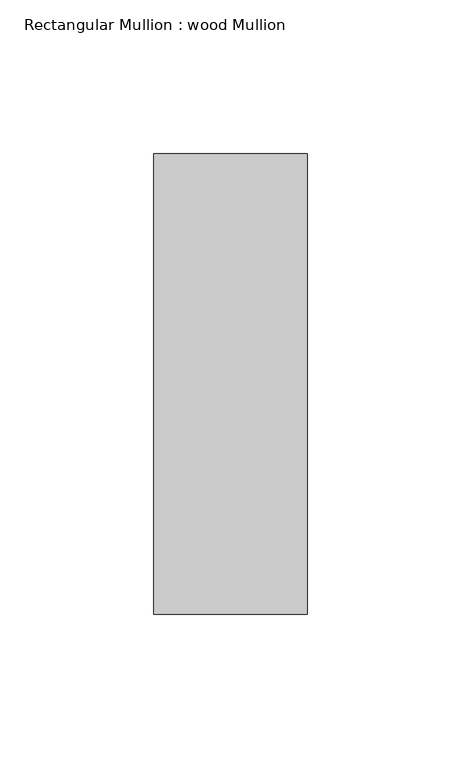
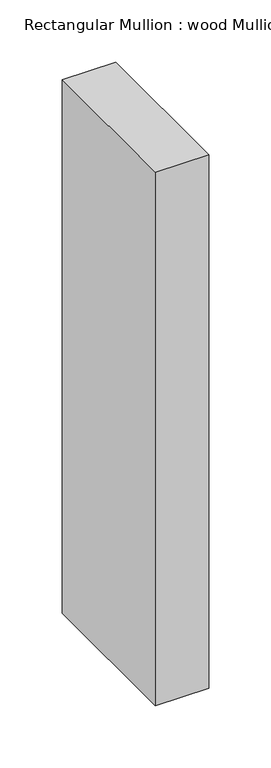
"""IFC4 building model written with IfcOpenShell, lengths in millimetres: member geometry, Rectangular Mullion : wood Mullion."""

from ifc_helpers import new_model, si_unit, frame, origin, place, context, project, spatial, polyline, outline, extrude, source, transform, mapped, element, save


def rectangular_mullion_wood_mullion_8a69f4a4(model_context):
    return source(origin(), model_context, "Body", "SweptSolid", [
        extrude(outline(polyline([(25.0, 75.0), (25.0, -75.0), (-25.0, -75.0), (-25.0, 75.0), (25.0, 75.0)])), frame((0.0, 0.0, -525.0), z_axis=(0.0, 0.0, 1.0), x_axis=(1.0, 0.0, 0.0)), (0.0, 0.0, 1.0), 525.0),
    ])


if __name__ == "__main__":
    model = new_model("IFC4")
    model_context = context("Model", 3, world=origin())
    ifc_project = project(units=[si_unit("LENGTHUNIT", "METRE", prefix="MILLI")], contexts=[model_context])
    site = spatial("IfcSite", under=ifc_project)
    building = spatial("IfcBuilding", under=site)
    placement = place(None, origin())
    rectangular_mullion_wood_mullion_shape = rectangular_mullion_wood_mullion_8a69f4a4(model_context)
    element("IfcMember", 1, ObjectType="Rectangular Mullion : wood Mullion", at=placement, inside=building, context=model_context, shape_type="MappedRepresentation", body=[
        mapped(rectangular_mullion_wood_mullion_shape, transform((0.0, 0.0, 0.0), x_axis=(1.0, 0.0, 0.0), y_axis=(0.0, 1.0, 0.0), z_axis=(0.0, 0.0, 1.0))),
    ])
    save(model, "model.ifc")
